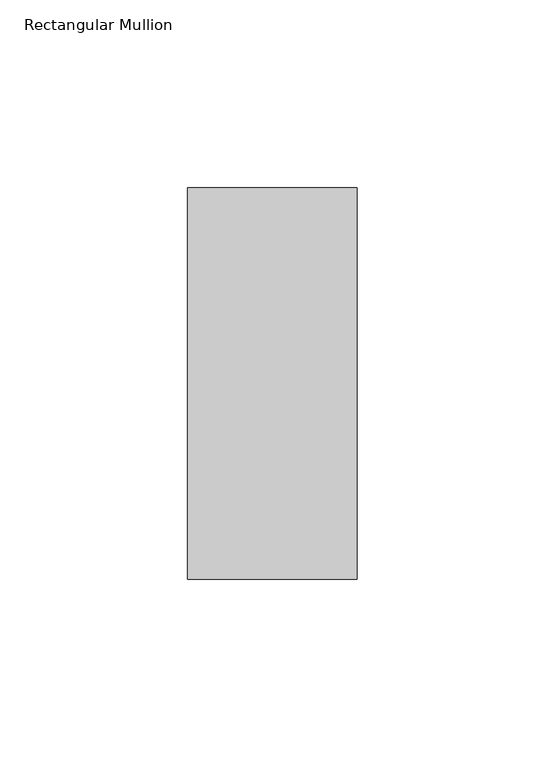
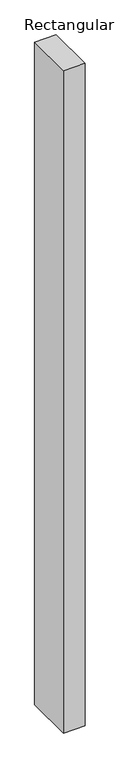
"""IFC4 building model written with IfcOpenShell, lengths in millimetres: member geometry, Rectangular Mullion."""

from ifc_helpers import new_model, si_unit, frame, origin, place, context, project, spatial, polyline, outline, extrude, source, transform, mapped, element, save


def rectangular_mullion_e7dbce4b(model_context):
    return source(origin(), model_context, "Body", "SweptSolid", [
        extrude(outline(polyline([(0.0, 67.525), (0.0, -36.525), (-45.0, -36.525), (-45.0, 67.525), (0.0, 67.525)])), frame((0.0, 0.0, -1465.0164899), z_axis=(0.0, 0.0, 1.0), x_axis=(1.0, 0.0, 0.0)), (0.0, 0.0, 1.0), 1465.0164899),
    ])


if __name__ == "__main__":
    model = new_model("IFC4")
    model_context = context("Model", 3, world=origin())
    ifc_project = project(units=[si_unit("LENGTHUNIT", "METRE", prefix="MILLI")], contexts=[model_context])
    site = spatial("IfcSite", under=ifc_project)
    building = spatial("IfcBuilding", under=site)
    placement = place(None, origin())
    rectangular_mullion_shape = rectangular_mullion_e7dbce4b(model_context)
    element("IfcMember", 1, ObjectType="Rectangular Mullion", at=placement, inside=building, context=model_context, shape_type="MappedRepresentation", body=[
        mapped(rectangular_mullion_shape, transform((0.0, 0.0, 0.0), x_axis=(1.0, 0.0, 0.0), y_axis=(0.0, 1.0, 0.0), z_axis=(0.0, 0.0, 1.0))),
    ])
    save(model, "model.ifc")
